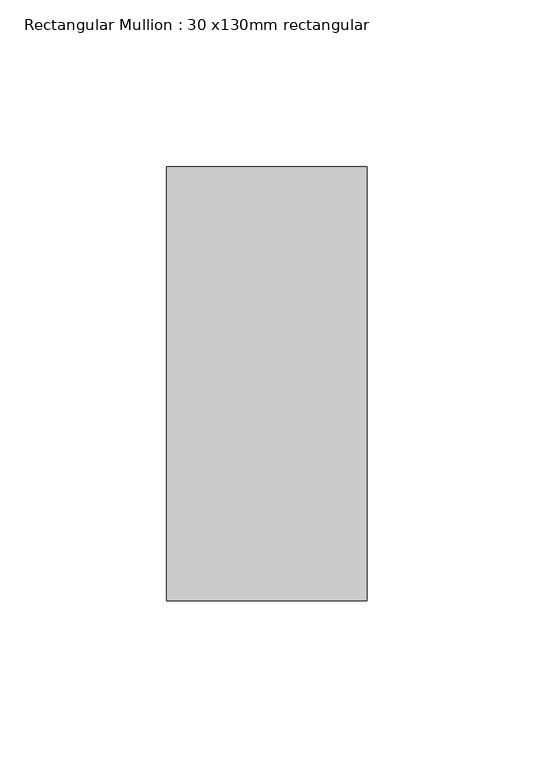
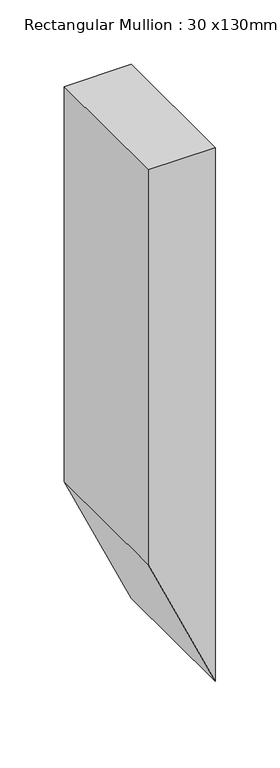
"""IFC4 building model written with IfcOpenShell, lengths in millimetres: member geometry, Rectangular Mullion : 30 x130mm rectangular."""

from ifc_helpers import new_model, si_unit, frame, origin, place, context, project, spatial, polyline, outline, extrude, source, transform, mapped, element, save


def rectangular_mullion_30_x130mm_rectangular_e63374b3(model_context):
    return source(origin(), model_context, "Body", "SweptSolid", [
        extrude(outline(polyline([(0.0, 0.0), (0.0, -60.0), (-374.0476589, -60.0), (-505.3817224, 0.0), (0.0, 0.0)])), frame((0.0, -65.0, 0.0), z_axis=(0.0, 1.0, 0.0), x_axis=(0.0, 0.0, 1.0)), (0.0, 0.0, 1.0), 130.0),
    ])


if __name__ == "__main__":
    model = new_model("IFC4")
    model_context = context("Model", 3, world=origin())
    ifc_project = project(units=[si_unit("LENGTHUNIT", "METRE", prefix="MILLI")], contexts=[model_context])
    site = spatial("IfcSite", under=ifc_project)
    building = spatial("IfcBuilding", under=site)
    placement = place(None, origin())
    rectangular_mullion_30_x130mm_rectangular_shape = rectangular_mullion_30_x130mm_rectangular_e63374b3(model_context)
    element("IfcMember", 1, ObjectType="Rectangular Mullion : 30 x130mm rectangular", at=placement, inside=building, context=model_context, shape_type="MappedRepresentation", body=[
        mapped(rectangular_mullion_30_x130mm_rectangular_shape, transform((0.0, 0.0, 0.0), x_axis=(1.0, 0.0, 0.0), y_axis=(0.0, 1.0, 0.0), z_axis=(0.0, 0.0, 1.0))),
    ])
    save(model, "model.ifc")
